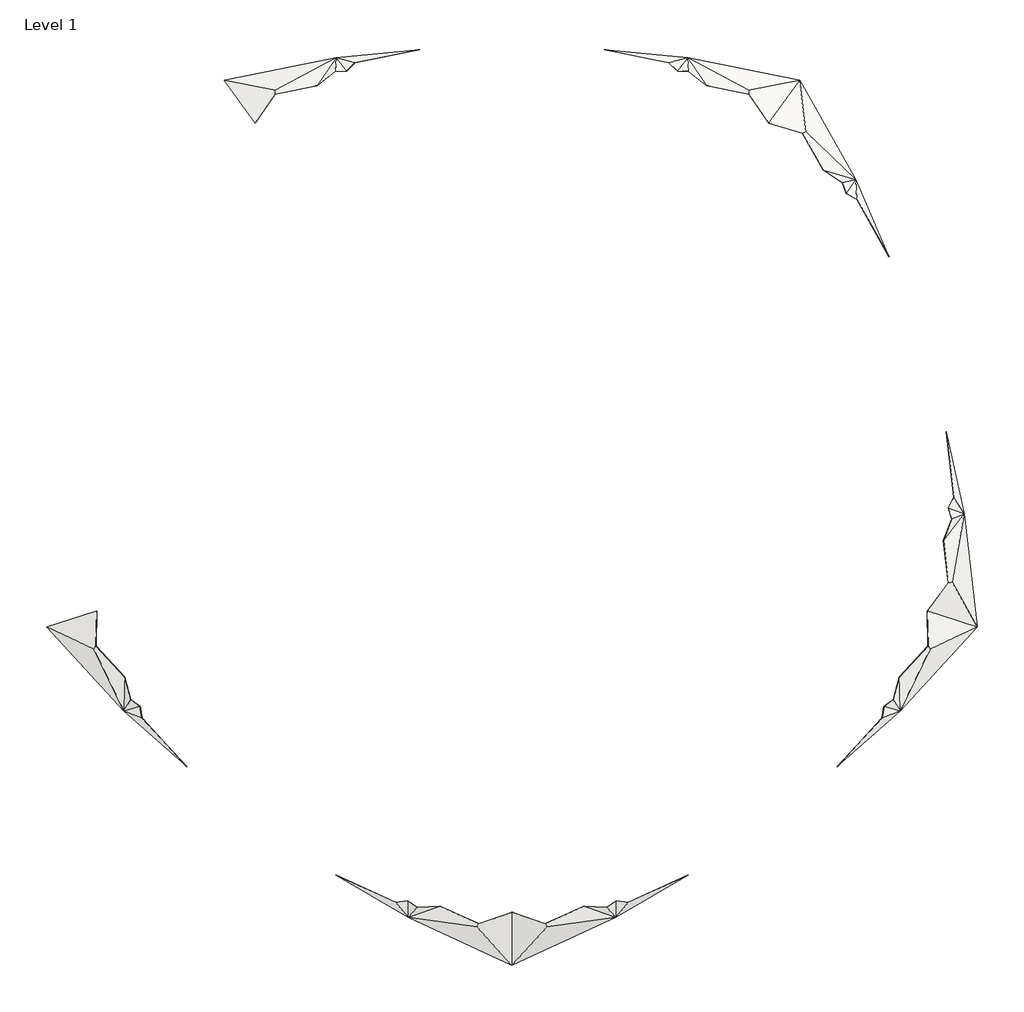
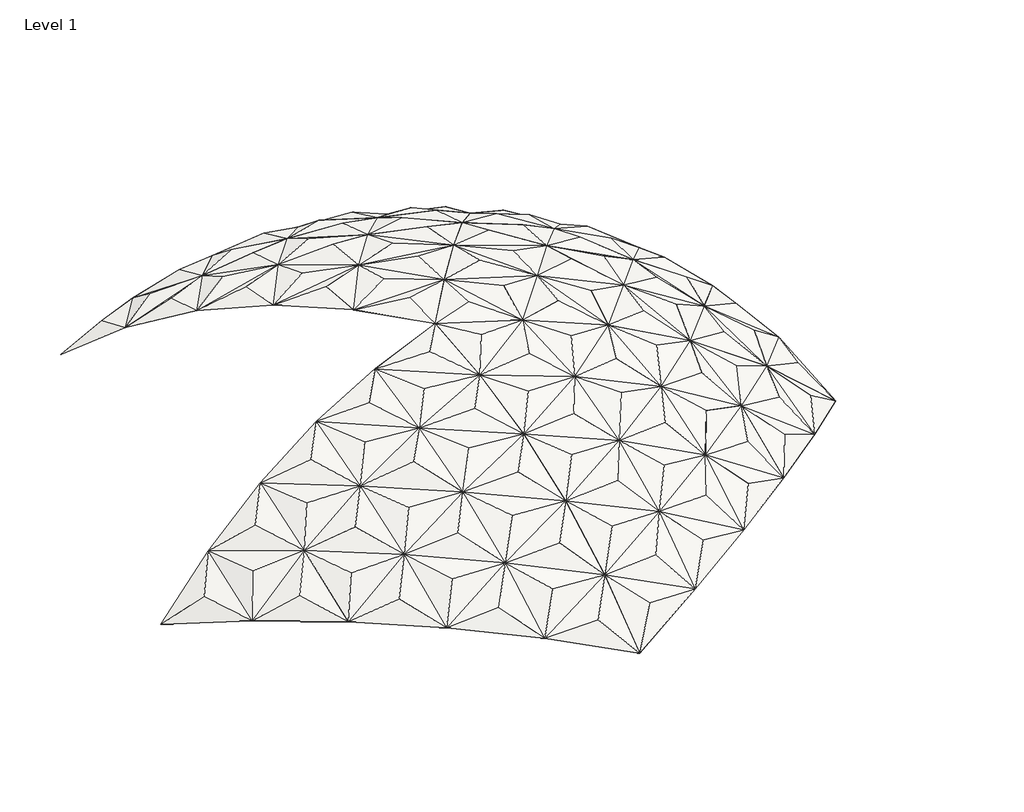
# One storey: 4 slabs.
"""IFC4 building model written with IfcOpenShell, lengths in millimetres."""

from ifc_helpers import new_model, si_unit, origin, place, context, project, spatial, faceted_brep, element, save

model = new_model("IFC4")

# Units and contexts
model_context = context("Model", 3, world=origin())
ifc_project = project(units=[si_unit("LENGTHUNIT", "METRE", prefix="MILLI")], contexts=[model_context])

# Site, building, storey
site = spatial("IfcSite", under=ifc_project)
building = spatial("IfcBuilding", under=site)
storey = spatial("IfcBuildingStorey", under=building, Name="Level 1", Elevation=0.0)

# Slabs
placement = place(None, origin())
element("IfcSlab", 1, ObjectType="Generic - 1/8", at=placement, inside=storey, context=model_context, shape_type="Brep", body=[
    faceted_brep([(1199.8290339, -16489.9650987, 0.0), (1199.8290339, -13935.515041, 1917.192), (1199.8290339, -11114.658304, 3460.75), (1199.8290339, -8088.7551555, 4578.35), (1199.8290339, -4923.6246062, 5270.5), (1199.8290339, -1688.1150116, 5588.0), (1199.8290339, -1688.1150116, 5586.4125), (1199.8290339, -4923.6246062, 5268.9125), (1199.8290339, -8088.7551555, 4576.7625), (1199.8290339, -11114.658304, 3459.1625), (1199.8290339, -13935.515041, 1915.6045), (1199.8290339, -16489.9650987, -1.5875), (2267.2460597, -15334.2349466, 1150.3421875), (4337.5143916, -15047.1091363, 882.65), (4413.7501857, -12324.5047702, 2603.5992188), (3339.6880412, -13915.0354187, 2029.8171875), (3397.6030491, -11063.8157848, 3569.890625), (4456.279097, -9348.5522203, 3925.1929688), (2295.2950414, -12605.3361101, 2897.6835938), (2313.6515953, -9638.0061087, 4240.609375), (5464.4095506, -13694.6716589, 1829.990625), (7392.3752652, -13251.6213265, 1327.15), (5510.29078, -10789.8984652, 3360.9359375), (6551.9283267, -9054.6476208, 3806.5273438), (7470.9904384, -7152.3882099, 3925.1929688), (7483.886836, -10340.8038004, 2834.9278682), (6503.9223328, -12110.6618648, 2487.4140625), (3385.5022749, -7921.0439683, 4623.59375), (4445.8661177, -6155.9020628, 4819.0546875), (2317.726389, -6483.7464833, 5124.053125), (2269.7069858, -3160.6757866, 5612.209375), (3387.0922126, -4698.6245686, 5307.409375), (4271.6459375, -2689.2763583, 5256.1140559), (5525.1283783, -7641.3792362, 4623.59375), (6452.2864824, -5692.8948337, 4623.59375), (7287.1996089, -3666.0216718, 4578.35), (4276.9814654, -2687.9424763, 5270.5), (5415.2962942, -4233.2305356, 5124.053125), (8480.2307711, -11708.7284799, 2058.590625), (7486.8903492, -10338.363778, 2834.5056521), (7483.990036, -10337.5211973, 2836.06875), (8524.133095, -8600.2136628, 3360.9359375), (10283.7744236, -11150.8969371, 1327.15), (9473.2047816, -9953.3516538, 2487.4140625), (10314.6224966, -8033.7191285, 2614.7790831), (10316.155089, -8031.5616102, 2603.5992188), (11308.7643513, -9430.0457185, 1829.990625), (12179.3870336, -7520.6178626, 2041.128125), (12935.3889049, -8800.3876344, 882.65), (8417.8279986, -5202.6783059, 4240.609375), (10165.0044985, -4601.0771917, 3460.75), (9437.5009573, -6675.5733301, 3569.890625), (12847.7984655, -5472.7698199, 1917.2039062), (13848.2102495, -6920.1720469, 1150.3421875), (11244.205749, -6103.5727655, 2897.6835937), (15277.2247961, -6262.13831, 0.0), (2267.2460597, -15334.2349466, 1148.7546875), (4337.5143916, -15047.1091363, 881.0625), (4413.7501857, -12324.5047702, 2602.0117188), (3339.6880412, -13915.0354187, 2028.2296875), (4456.279097, -9348.5522203, 3923.6054688), (3397.6030491, -11063.8157848, 3568.303125), (2295.2950414, -12605.3361101, 2896.0960938), (2313.6515953, -9638.0061087, 4239.021875), (5464.4095506, -13694.6716589, 1828.403125), (7392.3752652, -13251.6213265, 1325.5625), (5510.29078, -10789.8984652, 3359.3484375), (7470.9904384, -7152.3882099, 3923.6054688), (6551.9283267, -9054.6476208, 3804.9398437), (7483.886836, -10340.8038004, 2833.3403682), (6503.9223328, -12110.6618648, 2485.8265625), (3385.5022749, -7921.0439683, 4622.00625), (4445.8661177, -6155.9020628, 4817.4671875), (2317.726389, -6483.7464833, 5122.465625), (2269.7069858, -3160.6757866, 5610.621875), (3387.0922126, -4698.6245686, 5305.821875), (4271.6459375, -2689.2763583, 5254.5265559), (5525.1283783, -7641.3792362, 4622.00625), (6452.2864824, -5692.8948337, 4622.00625), (7287.1996089, -3666.0216718, 4576.7625), (5415.2962942, -4233.2305356, 5122.465625), (4276.9814654, -2687.9424763, 5268.9125), (8480.2307711, -11708.7284799, 2057.003125), (7486.8903492, -10338.363778, 2832.9181521), (7483.990036, -10337.5211973, 2834.48125), (8524.133095, -8600.2136628, 3359.3484375), (10283.7744236, -11150.8969371, 1325.5625), (9473.2047816, -9953.3516538, 2485.8265625), (10314.6224966, -8033.7191285, 2613.1915831), (10316.155089, -8031.5616102, 2602.0117188), (11308.7643513, -9430.0457185, 1828.403125), (12179.3870336, -7520.6178626, 2039.540625), (12935.3889049, -8800.3876344, 881.0625), (8417.8279986, -5202.6783059, 4239.021875), (10165.0044985, -4601.0771917, 3459.1625), (9437.5009573, -6675.5733301, 3568.303125), (12847.7984655, -5472.7698199, 1915.6164062), (13848.2102495, -6920.1720469, 1148.7546875), (11244.205749, -6103.5727655, 2896.0960937), (15277.2247961, -6262.13831, -1.5875)], [[[0, 1, 2, 3, 4, 5, 6, 7, 8, 9, 10, 11]], [[1, 0, 12]], [[12, 0, 13]], [[14, 1, 15]], [[16, 17, 2]], [[18, 2, 1]], [[2, 18, 14]], [[19, 3, 2]], [[1, 12, 13]], [[14, 13, 20]], [[15, 1, 13]], [[20, 13, 21]], [[14, 15, 13]], [[22, 17, 14]], [[16, 2, 14]], [[23, 24, 17]], [[17, 16, 14]], [[25, 14, 26]], [[2, 17, 19]], [[17, 22, 25]], [[1, 14, 18]], [[27, 3, 17]], [[3, 27, 28]], [[3, 19, 17]], [[29, 28, 4]], [[29, 4, 3]], [[30, 5, 4]], [[4, 31, 32]], [[5, 30, 32]], [[3, 28, 29]], [[24, 28, 33]], [[27, 17, 28]], [[28, 24, 34]], [[28, 34, 35]], [[30, 4, 32]], [[32, 31, 28]], [[36, 37, 35]], [[37, 36, 32]], [[32, 28, 37]], [[5, 32, 36]], [[28, 35, 37]], [[4, 28, 31]], [[33, 28, 17]], [[14, 20, 21]], [[25, 26, 21]], [[26, 14, 21]], [[25, 38, 39]], [[25, 40, 23]], [[41, 24, 40]], [[23, 17, 25]], [[25, 39, 40]], [[41, 40, 39]], [[25, 21, 38]], [[22, 14, 25]], [[38, 21, 42]], [[39, 42, 43]], [[43, 42, 44]], [[45, 42, 46]], [[47, 45, 48]], [[46, 42, 48]], [[39, 43, 44]], [[39, 38, 42]], [[45, 41, 44]], [[24, 23, 40]], [[41, 39, 44]], [[24, 41, 45]], [[35, 49, 50]], [[34, 24, 35]], [[50, 49, 24]], [[45, 50, 51]], [[50, 24, 51]], [[24, 45, 51]], [[49, 35, 24]], [[45, 47, 52]], [[44, 42, 45]], [[53, 52, 48]], [[47, 48, 52]], [[45, 52, 54]], [[52, 53, 55]], [[54, 52, 50]], [[53, 48, 55]], [[50, 45, 54]], [[45, 46, 48]], [[17, 24, 33]], [[11, 10, 56]], [[11, 56, 57]], [[10, 58, 59]], [[60, 61, 9]], [[9, 62, 10]], [[62, 9, 58]], [[8, 63, 9]], [[56, 10, 57]], [[57, 58, 64]], [[10, 59, 57]], [[57, 64, 65]], [[59, 58, 57]], [[60, 66, 58]], [[9, 61, 58]], [[67, 68, 60]], [[61, 60, 58]], [[58, 69, 70]], [[60, 9, 63]], [[66, 60, 69]], [[58, 10, 62]], [[8, 71, 60]], [[71, 8, 72]], [[63, 8, 60]], [[72, 73, 7]], [[7, 73, 8]], [[6, 74, 7]], [[75, 7, 76]], [[74, 6, 76]], [[72, 8, 73]], [[72, 67, 77]], [[60, 71, 72]], [[67, 72, 78]], [[78, 72, 79]], [[7, 74, 76]], [[75, 76, 72]], [[80, 81, 79]], [[81, 80, 76]], [[72, 76, 80]], [[76, 6, 81]], [[79, 72, 80]], [[72, 7, 75]], [[72, 77, 60]], [[64, 58, 65]], [[70, 69, 65]], [[58, 70, 65]], [[82, 69, 83]], [[84, 69, 68]], [[67, 85, 84]], [[60, 68, 69]], [[83, 69, 84]], [[84, 85, 83]], [[65, 69, 82]], [[58, 66, 69]], [[65, 82, 86]], [[86, 83, 87]], [[86, 87, 88]], [[86, 89, 90]], [[89, 91, 92]], [[86, 90, 92]], [[87, 83, 88]], [[82, 83, 86]], [[85, 89, 88]], [[68, 67, 84]], [[83, 85, 88]], [[85, 67, 89]], [[93, 79, 94]], [[67, 78, 79]], [[93, 94, 67]], [[94, 89, 95]], [[67, 94, 95]], [[89, 67, 95]], [[79, 93, 67]], [[91, 89, 96]], [[86, 88, 89]], [[96, 97, 92]], [[92, 91, 96]], [[96, 89, 98]], [[97, 96, 99]], [[96, 98, 94]], [[92, 97, 99]], [[89, 94, 98]], [[90, 89, 92]], [[67, 60, 77]], [[6, 5, 36, 35, 50, 52, 55, 99, 96, 94, 79, 81]], [[42, 86, 92, 48]], [[21, 65, 86, 42]], [[13, 57, 65, 21]], [[57, 13, 0, 11]], [[48, 92, 99, 55]]]),
])
element("IfcSlab", 2, ObjectType="Generic - 1/8", at=placement, inside=storey, context=model_context, shape_type="Brep", body=[
    faceted_brep([(1199.8290339, -1688.1150116, 5588.0), (3101.6139055, 929.4672008, 5270.5), (4962.0310113, 3490.1115703, 4578.35), (6740.612302, 5938.1186079, 3460.75), (8398.670333, 8220.2396163, 1917.192), (9900.1384427, 10286.8330965, 0.0), (9900.1384427, 10286.8330965, -1.5875), (8398.670333, 8220.2396163, 1915.6045), (6740.612302, 5938.1186079, 3459.1625), (4962.0310113, 3490.1115703, 4576.7625), (3101.6139055, 929.4672008, 5268.9125), (1199.8290339, -1688.1150116, 5586.4125), (4276.9814654, -2687.9424763, 5270.5), (4273.4489689, -2683.7271985, 5256.1140559), (6106.1950494, -2106.8628777, 5124.053125), (6452.0275697, 18.4278169, 4819.0546875), (2930.9279959, -1125.6468332, 5612.209375), (4738.8952573, -538.2027229, 5307.409375), (7287.1996089, -3666.0216718, 4578.35), (7803.1068929, -1535.4972252, 4623.59375), (10165.0044985, -4601.0771917, 3460.75), (9105.1213085, -3087.4070671, 4240.609375), (9485.1243986, -953.5214735, 3925.1929688), (9859.7075975, 1125.6498659, 3806.5273438), (8337.0445727, 2595.215421, 3925.1929688), (8198.3106655, 585.8296226, 4623.59375), (4923.0285061, 1534.5487001, 5124.053125), (11188.1451646, -401.2278307, 3360.9359375), (11367.8155379, 1615.6642362, 2836.06875), (6631.6996187, 2069.7238415, 4623.59375), (6773.7592656, 4088.7934112, 4240.609375), (8488.7643225, 4605.1669596, 3569.890625), (10036.9600128, 3141.7564735, 3360.9359375), (10051.8590259, 5027.8094435, 2603.5992188), (11369.6615132, 1618.3805773, 2834.9278682), (8503.0613595, 6500.2034901, 2897.6835938), (10117.8149919, 6945.8936556, 2029.8171875), (10084.3757888, 8724.4157734, 1150.3421875), (12847.7984655, -5472.7698199, 1917.2039063), (11921.2414011, -4019.8713503, 2897.6835938), (12303.6760939, -1914.6011256, 2603.5992187), (12303.7043581, -1911.9548214, 2614.7790831), (10795.8000452, -2495.1587201, 3569.890625), (14110.9789344, 628.0270093, 1327.15), (13928.7222004, -1366.6448313, 1829.990625), (15277.2247961, -6262.13831, 0.0), (14507.910294, -4889.824144, 1150.3421875), (14874.5853449, -2832.154863, 882.65), (13510.7371741, -3423.1435815, 2041.128125), (11370.6571971, 1614.6411369, 2834.5056521), (11590.4897086, 7275.2528917, 882.65), (11617.1500821, 3626.2345072, 2487.4140625), (13006.5627556, 4027.0705449, 1327.15), (12979.7666514, 2139.4185891, 2058.590625), (12751.3148533, 135.6334302, 2487.4140625), (11707.2242068, 5518.7356311, 1829.990625), (4273.4489689, -2683.7271985, 5254.5265559), (4276.9814654, -2687.9424763, 5268.9125), (6452.0275697, 18.4278169, 4817.4671875), (6106.1950494, -2106.8628777, 5122.465625), (2930.9279959, -1125.6468332, 5610.621875), (4738.8952573, -538.2027229, 5305.821875), (7803.1068929, -1535.4972252, 4622.00625), (7287.1996089, -3666.0216718, 4576.7625), (9105.1213085, -3087.4070671, 4239.021875), (10165.0044985, -4601.0771917, 3459.1625), (9485.1243986, -953.5214735, 3923.6054688), (9859.7075975, 1125.6498659, 3804.9398437), (8337.0445727, 2595.215421, 3923.6054688), (8198.3106655, 585.8296226, 4622.00625), (4923.0285061, 1534.5487001, 5122.465625), (11188.1451646, -401.2278307, 3359.3484375), (11367.8155379, 1615.6642362, 2834.48125), (6631.6996187, 2069.7238415, 4622.00625), (6773.7592656, 4088.7934112, 4239.021875), (8488.7643225, 4605.1669596, 3568.303125), (10036.9600128, 3141.7564735, 3359.3484375), (10051.8590259, 5027.8094435, 2602.0117188), (11369.6615132, 1618.3805773, 2833.3403682), (8503.0613595, 6500.2034901, 2896.0960938), (10117.8149919, 6945.8936556, 2028.2296875), (10084.3757888, 8724.4157734, 1148.7546875), (11921.2414011, -4019.8713503, 2896.0960937), (12847.7984655, -5472.7698199, 1915.6164062), (12303.6760939, -1914.6011256, 2602.0117187), (12303.7043581, -1911.9548214, 2613.1915831), (10795.8000452, -2495.1587201, 3568.303125), (14110.9789344, 628.0270093, 1325.5625), (13928.7222004, -1366.6448313, 1828.403125), (14507.910294, -4889.824144, 1148.7546875), (15277.2247961, -6262.13831, -1.5875), (14874.5853449, -2832.154863, 881.0625), (13510.7371741, -3423.1435815, 2039.540625), (11370.6571971, 1614.6411369, 2832.9181521), (11590.4897086, 7275.2528917, 881.0625), (11617.1500821, 3626.2345072, 2485.8265625), (13006.5627556, 4027.0705449, 1325.5625), (12979.7666514, 2139.4185891, 2057.003125), (12751.3148533, 135.6334302, 2485.8265625), (11707.2242068, 5518.7356311, 1828.403125)], [[[0, 1, 2, 3, 4, 5, 6, 7, 8, 9, 10, 11]], [[12, 13, 0]], [[14, 15, 13]], [[0, 13, 16]], [[16, 13, 1]], [[1, 13, 17]], [[1, 17, 15]], [[0, 16, 1]], [[13, 12, 14]], [[18, 19, 15]], [[14, 12, 18]], [[20, 21, 18]], [[18, 21, 22]], [[15, 19, 22]], [[15, 14, 18]], [[22, 23, 24]], [[15, 22, 25]], [[19, 18, 22]], [[1, 15, 26]], [[22, 27, 28]], [[13, 15, 17]], [[15, 25, 24]], [[15, 24, 29]], [[15, 29, 2]], [[2, 24, 30]], [[26, 15, 2]], [[2, 30, 3]], [[29, 24, 2]], [[30, 24, 3]], [[3, 24, 31]], [[1, 26, 2]], [[24, 32, 33]], [[28, 34, 23]], [[24, 23, 34]], [[31, 24, 33]], [[4, 35, 33]], [[35, 4, 3]], [[4, 33, 36]], [[5, 4, 37]], [[33, 35, 3]], [[33, 32, 34]], [[3, 31, 33]], [[22, 24, 25]], [[21, 20, 22]], [[38, 39, 20]], [[39, 38, 40]], [[20, 39, 40]], [[27, 40, 41]], [[20, 40, 42]], [[43, 40, 44]], [[27, 22, 40]], [[42, 40, 22]], [[45, 46, 38]], [[38, 46, 47]], [[40, 48, 47]], [[44, 40, 47]], [[38, 47, 48]], [[46, 45, 47]], [[43, 44, 47]], [[40, 38, 48]], [[41, 40, 43]], [[28, 27, 49]], [[27, 41, 49]], [[34, 28, 49]], [[32, 24, 34]], [[37, 4, 50]], [[4, 36, 50]], [[36, 33, 50]], [[33, 34, 51]], [[33, 51, 52]], [[34, 49, 53]], [[23, 22, 28]], [[41, 43, 54]], [[49, 41, 54]], [[53, 49, 43]], [[50, 33, 55]], [[33, 52, 55]], [[51, 34, 52]], [[53, 43, 52]], [[34, 53, 52]], [[50, 55, 52]], [[54, 43, 49]], [[5, 37, 50]], [[22, 20, 42]], [[56, 57, 11]], [[58, 59, 56]], [[56, 11, 60]], [[56, 60, 10]], [[56, 10, 61]], [[61, 10, 58]], [[60, 11, 10]], [[57, 56, 59]], [[62, 63, 58]], [[57, 59, 63]], [[64, 65, 63]], [[64, 63, 66]], [[62, 58, 66]], [[59, 58, 63]], [[67, 66, 68]], [[66, 58, 69]], [[63, 62, 66]], [[58, 10, 70]], [[71, 66, 72]], [[58, 56, 61]], [[69, 58, 68]], [[68, 58, 73]], [[73, 58, 9]], [[68, 9, 74]], [[58, 70, 9]], [[74, 9, 8]], [[68, 73, 9]], [[68, 74, 8]], [[68, 8, 75]], [[70, 10, 9]], [[76, 68, 77]], [[78, 72, 67]], [[67, 68, 78]], [[68, 75, 77]], [[79, 7, 77]], [[7, 79, 8]], [[77, 7, 80]], [[7, 6, 81]], [[79, 77, 8]], [[76, 77, 78]], [[75, 8, 77]], [[68, 66, 69]], [[65, 64, 66]], [[82, 83, 65]], [[83, 82, 84]], [[82, 65, 84]], [[84, 71, 85]], [[84, 65, 86]], [[84, 87, 88]], [[66, 71, 84]], [[84, 86, 66]], [[89, 90, 83]], [[89, 83, 91]], [[92, 84, 91]], [[84, 88, 91]], [[91, 83, 92]], [[90, 89, 91]], [[88, 87, 91]], [[83, 84, 92]], [[84, 85, 87]], [[71, 72, 93]], [[85, 71, 93]], [[72, 78, 93]], [[68, 76, 78]], [[7, 81, 94]], [[80, 7, 94]], [[77, 80, 94]], [[78, 77, 95]], [[95, 77, 96]], [[93, 78, 97]], [[66, 67, 72]], [[87, 85, 98]], [[85, 93, 98]], [[93, 97, 87]], [[77, 94, 99]], [[96, 77, 99]], [[78, 95, 96]], [[87, 97, 96]], [[97, 78, 96]], [[99, 94, 96]], [[87, 98, 93]], [[81, 6, 94]], [[65, 66, 86]], [[0, 11, 57, 63, 65, 83, 90, 45, 38, 20, 18, 12]], [[91, 47, 45, 90]], [[50, 94, 6, 5]], [[94, 50, 52, 96]], [[43, 87, 96, 52]], [[87, 43, 47, 91]]]),
])
element("IfcSlab", 3, ObjectType="Generic - 1/8", at=placement, inside=storey, context=model_context, shape_type="Brep", body=[
    faceted_brep([(4962.0310113, 3490.1115703, 4578.35), (3101.6139055, 929.4672008, 5270.5), (1199.8290339, -1688.1150116, 5588.0), (1199.8290339, -1688.1150116, 5586.4125), (3101.6139055, 929.4672008, 5268.9125), (4962.0310113, 3490.1115703, 4576.7625), (6740.612302, 5938.1186079, 3459.1625), (8398.670333, 8220.2396163, 1915.6045), (9900.1384427, 10286.8330965, -1.5875), (9900.1384427, 10286.8330965, 0.0), (8398.670333, 8220.2396163, 1917.192), (6740.612302, 5938.1186079, 3460.75), (-2562.3727515, 3490.1118084, 4578.35), (-2573.8461905, 5397.8598334, 4240.609375), (-4340.9539239, 5938.1189206, 3460.75), (-2533.0329364, 7188.8056655, 3569.890625), (-661.8277668, 6418.6710904, 3925.1929688), (-2446.849118, 8802.2831671, 2603.5992188), (-4330.9013019, 7788.0019529, 2897.6835938), (-5999.0117221, 8220.23983, 1917.2039062), (-695.5476693, 4639.1369847, 4623.59375), (-696.8551218, 927.4102407, 5256.1140559), (-701.9556906, 929.4672522, 5270.5), (1199.8291393, 2033.0794211, 5307.409375), (1199.8293097, 3834.3733664, 4819.0546875), (-714.5741649, 2848.7162224, 5124.053125), (-662.8275913, 8209.0082088, 3360.9359375), (1199.8295821, 9003.1387439, 2836.06875), (1197.978436, 9005.5251674, 2834.5056521), (-2444.3410673, 8803.1278008, 2614.7790831), (1199.8291466, 7417.420092, 3806.5273438), (-4113.9491488, 10963.8235265, 882.65), (-4254.5606126, 9484.1012842, 2041.128125), (-5957.6001411, 9979.2401215, 1150.3421875), (-7500.4797148, 10286.8333497, 0.0), (-587.1532611, 11306.8455459, 1327.15), (-2427.878514, 10517.1216625, 1829.990625), (-635.2881287, 9861.5701796, 2487.4140625), (1199.8293468, 10698.0443502, 2058.590625), (1199.8291291, 132.0701625, 5612.209375), (3067.9977586, 6423.4021621, 3925.1929687), (3095.2060739, 4639.1369015, 4623.59375), (1199.8294085, 5670.5240845, 4623.59375), (1201.8425384, 9005.7337662, 2834.9278682), (3062.4864939, 8209.008292, 3360.9359375), (3114.2326138, 2848.7158913, 5124.053125), (4971.5565279, 5398.170395, 4240.609375), (4932.691314, 7188.8053332, 3569.890625), (4851.6254349, 8806.0004496, 2603.5992188), (6730.5601497, 7788.00105, 2897.6835938), (2986.8126108, 11306.8454276, 1327.15), (3034.9469601, 9861.5703013, 2487.4140625), (4806.9880756, 10532.0508283, 1829.990625), (6513.6082219, 10963.8233445, 882.65), (6655.4504334, 9461.4488524, 2029.8171875), (8357.258784, 9979.2397769, 1150.3421875), (-2573.8461905, 5397.8598334, 4239.021875), (-2562.3727515, 3490.1118084, 4576.7625), (-4340.9539239, 5938.1189206, 3459.1625), (-2533.0329364, 7188.8056655, 3568.303125), (-661.8277668, 6418.6710904, 3923.6054688), (-2446.849118, 8802.2831671, 2602.0117188), (-4330.9013019, 7788.0019529, 2896.0960938), (-5999.0117221, 8220.23983, 1915.6164062), (-695.5476693, 4639.1369847, 4622.00625), (-696.8551218, 927.4102407, 5254.5265559), (-701.9556906, 929.4672522, 5268.9125), (1199.8291393, 2033.0794211, 5305.821875), (1199.8293097, 3834.3733664, 4817.4671875), (-714.5741649, 2848.7162224, 5122.465625), (1199.8295821, 9003.1387439, 2834.48125), (-662.8275913, 8209.0082088, 3359.3484375), (1197.978436, 9005.5251674, 2832.9181521), (-2444.3410673, 8803.1278008, 2613.1915831), (1199.8291466, 7417.420092, 3804.9398438), (-4113.9491488, 10963.8235265, 881.0625), (-4254.5606126, 9484.1012842, 2039.540625), (-5957.6001411, 9979.2401215, 1148.7546875), (-7500.4797148, 10286.8333497, -1.5875), (-587.1532611, 11306.8455459, 1325.5625), (-2427.878514, 10517.1216625, 1828.403125), (-635.2881287, 9861.5701796, 2485.8265625), (1199.8293468, 10698.0443502, 2057.003125), (1199.8291291, 132.0701625, 5610.621875), (3067.9977586, 6423.4021621, 3923.6054687), (3095.2060739, 4639.1369015, 4622.00625), (1199.8294085, 5670.5240845, 4622.00625), (1201.8425384, 9005.7337662, 2833.3403682), (3062.4864939, 8209.008292, 3359.3484375), (3114.2326138, 2848.7158913, 5122.465625), (4971.5565279, 5398.170395, 4239.021875), (4932.691314, 7188.8053332, 3568.303125), (4851.6254349, 8806.0004496, 2602.0117188), (6730.5601497, 7788.00105, 2896.0960937), (2986.8126108, 11306.8454276, 1325.5625), (3034.9469601, 9861.5703013, 2485.8265625), (4806.9880756, 10532.0508283, 1828.403125), (6513.6082219, 10963.8233445, 881.0625), (6655.4504334, 9461.4488524, 2028.2296875), (8357.258784, 9979.2397769, 1148.7546875)], [[[0, 1, 2, 3, 4, 5, 6, 7, 8, 9, 10, 11]], [[12, 13, 14]], [[15, 14, 16]], [[14, 13, 16]], [[14, 15, 17]], [[14, 17, 18]], [[14, 18, 19]], [[16, 12, 20]], [[2, 21, 22]], [[21, 23, 24]], [[22, 21, 25]], [[13, 12, 16]], [[20, 12, 24]], [[26, 27, 28]], [[17, 26, 29]], [[27, 16, 30]], [[24, 12, 25]], [[16, 20, 24]], [[22, 25, 12]], [[26, 17, 16]], [[31, 19, 32]], [[18, 17, 19]], [[19, 31, 33]], [[19, 33, 34]], [[33, 31, 34]], [[31, 32, 17]], [[15, 16, 17]], [[32, 19, 17]], [[26, 28, 29]], [[17, 29, 35]], [[36, 35, 31]], [[17, 35, 36]], [[28, 35, 37]], [[35, 29, 37]], [[35, 28, 38]], [[31, 17, 36]], [[29, 28, 37]], [[21, 2, 39]], [[40, 24, 41]], [[24, 23, 1]], [[16, 24, 42]], [[21, 24, 25]], [[30, 16, 40]], [[16, 42, 40]], [[24, 40, 42]], [[43, 40, 44]], [[23, 21, 1]], [[21, 39, 1]], [[45, 1, 0]], [[41, 24, 0]], [[45, 0, 24]], [[40, 41, 0]], [[11, 40, 46]], [[40, 11, 47]], [[40, 0, 46]], [[11, 46, 0]], [[48, 11, 49]], [[24, 1, 45]], [[39, 2, 1]], [[40, 47, 48]], [[27, 30, 43]], [[30, 40, 43]], [[43, 44, 48]], [[38, 28, 43]], [[35, 38, 50]], [[38, 43, 50]], [[51, 48, 50]], [[50, 48, 52]], [[50, 43, 51]], [[50, 52, 53]], [[43, 48, 51]], [[28, 27, 43]], [[48, 49, 10]], [[44, 40, 48]], [[49, 11, 10]], [[48, 10, 54]], [[54, 10, 53]], [[52, 48, 53]], [[55, 9, 53]], [[53, 10, 55]], [[9, 55, 10]], [[48, 54, 53]], [[47, 11, 48]], [[27, 26, 16]], [[56, 57, 58]], [[58, 59, 60]], [[56, 58, 60]], [[59, 58, 61]], [[61, 58, 62]], [[62, 58, 63]], [[57, 60, 64]], [[65, 3, 66]], [[67, 65, 68]], [[65, 66, 69]], [[57, 56, 60]], [[57, 64, 68]], [[70, 71, 72]], [[71, 61, 73]], [[60, 70, 74]], [[57, 68, 69]], [[64, 60, 68]], [[69, 66, 57]], [[61, 71, 60]], [[63, 75, 76]], [[61, 62, 63]], [[75, 63, 77]], [[77, 63, 78]], [[75, 77, 78]], [[76, 75, 61]], [[60, 59, 61]], [[63, 76, 61]], [[72, 71, 73]], [[73, 61, 79]], [[79, 80, 75]], [[79, 61, 80]], [[79, 72, 81]], [[73, 79, 81]], [[72, 79, 82]], [[61, 75, 80]], [[72, 73, 81]], [[3, 65, 83]], [[68, 84, 85]], [[67, 68, 4]], [[68, 60, 86]], [[68, 65, 69]], [[60, 74, 84]], [[86, 60, 84]], [[84, 68, 86]], [[84, 87, 88]], [[65, 67, 4]], [[83, 65, 4]], [[4, 89, 5]], [[68, 85, 5]], [[5, 89, 68]], [[85, 84, 5]], [[84, 6, 90]], [[6, 84, 91]], [[5, 84, 90]], [[90, 6, 5]], [[6, 92, 93]], [[4, 68, 89]], [[3, 83, 4]], [[91, 84, 92]], [[74, 70, 87]], [[84, 74, 87]], [[88, 87, 92]], [[72, 82, 87]], [[82, 79, 94]], [[87, 82, 94]], [[92, 95, 94]], [[92, 94, 96]], [[87, 94, 95]], [[96, 94, 97]], [[92, 87, 95]], [[70, 72, 87]], [[93, 92, 7]], [[84, 88, 92]], [[6, 93, 7]], [[7, 92, 98]], [[7, 98, 97]], [[92, 96, 97]], [[8, 99, 97]], [[7, 97, 99]], [[99, 8, 7]], [[98, 92, 97]], [[6, 91, 92]], [[71, 70, 60]], [[3, 2, 22, 12, 14, 19, 34, 78, 63, 58, 57, 66]], [[75, 31, 35, 79]], [[79, 35, 50, 94]], [[94, 50, 53, 97]], [[97, 53, 9, 8]], [[31, 75, 78, 34]]]),
])
element("IfcSlab", 4, ObjectType="Generic - 1/8", at=placement, inside=storey, context=model_context, shape_type="Brep", body=[
    faceted_brep([(1199.8290339, -13935.515041, 1917.192), (1199.8290339, -16489.9650987, 0.0), (1199.8290339, -16489.9650987, -1.5875), (1199.8290339, -13935.515041, 1915.6045), (1199.8290339, -11114.658304, 3459.1625), (1199.8290339, -8088.7551555, 4576.7625), (1199.8290339, -4923.6246062, 5268.9125), (1199.8290339, -1688.1150116, 5586.4125), (1199.8290339, -1688.1150116, 5588.0), (1199.8290339, -4923.6246062, 5270.5), (1199.8290339, -8088.7551555, 4578.35), (1199.8290339, -11114.658304, 3460.75), (-6080.5727033, -11708.7284799, 2058.590625), (-5087.2322814, -10338.363778, 2834.5056521), (-7884.1163558, -11150.8969371, 1327.15), (-7073.5467138, -9953.3516538, 2487.4140625), (-7914.9644288, -8033.7191285, 2614.7790831), (-7916.4970212, -8031.5616102, 2603.5992188), (-10535.7308371, -8800.3876344, 882.65), (-8909.1062836, -9430.0457185, 1829.990625), (-10448.1403977, -5472.7698199, 1917.2039063), (-9779.7289658, -7520.6178626, 2041.128125), (-4992.7171974, -13251.6213265, 1327.15), (-5084.2287683, -10340.8038004, 2834.9278682), (-2056.6210292, -9348.5522203, 3925.1929688), (-3110.6327122, -10789.8984652, 3360.9359375), (-5084.3319682, -10337.5211973, 2836.06875), (-6124.4750272, -8600.2136628, 3360.9359375), (-5071.3323707, -7152.3882099, 3925.1929688), (-4152.270259, -9054.6476208, 3806.5273438), (-4104.264265, -12110.6618648, 2487.4140625), (-12877.5667283, -6262.13831, 0.0), (-11448.5521817, -6920.1720469, 1150.3421875), (-8844.5476813, -6103.5727655, 2897.6835938), (-7765.3464307, -4601.0771917, 3460.75), (-7037.8428895, -6675.5733301, 3569.890625), (-6018.1699308, -5202.6783059, 4240.609375), (-4887.5415411, -3666.0216718, 4578.35), (-4052.6284146, -5692.8948337, 4623.59375), (-1937.8563238, -15047.1091363, 882.65), (-2014.0921179, -12324.5047702, 2603.5992187), (-3064.7514828, -13694.6716589, 1829.990625), (104.3630264, -12605.3361101, 2897.6835937), (-997.9449813, -11063.8157848, 3569.890625), (-940.0299734, -13915.0354187, 2029.8171875), (132.4120081, -15334.2349466, 1150.3421875), (86.0064724, -9638.0061087, 4240.609375), (-2046.20805, -6155.9020628, 4819.0546875), (-3125.4703105, -7641.3792362, 4623.59375), (-987.4341448, -4698.6245686, 5307.409375), (-1871.9878698, -2689.2763583, 5256.1140559), (-3015.6382265, -4233.2305356, 5124.053125), (-1877.3233976, -2687.9424763, 5270.5), (-985.8442071, -7921.0439683, 4623.59375), (81.9316788, -6483.7464833, 5124.053125), (129.951082, -3160.6757866, 5612.209375), (-5087.2322814, -10338.363778, 2832.9181521), (-6080.5727033, -11708.7284799, 2057.003125), (-7884.1163558, -11150.8969371, 1325.5625), (-7073.5467138, -9953.3516538, 2485.8265625), (-7914.9644288, -8033.7191285, 2613.1915831), (-10535.7308371, -8800.3876344, 881.0625), (-7916.4970212, -8031.5616102, 2602.0117188), (-8909.1062836, -9430.0457185, 1828.403125), (-10448.1403977, -5472.7698199, 1915.6164063), (-9779.7289658, -7520.6178626, 2039.540625), (-5084.2287683, -10340.8038004, 2833.3403682), (-4992.7171974, -13251.6213265, 1325.5625), (-2056.6210292, -9348.5522203, 3923.6054688), (-3110.6327122, -10789.8984652, 3359.3484375), (-6124.4750272, -8600.2136628, 3359.3484375), (-5084.3319682, -10337.5211973, 2834.48125), (-5071.3323707, -7152.3882099, 3923.6054688), (-4152.270259, -9054.6476208, 3804.9398438), (-4104.264265, -12110.6618648, 2485.8265625), (-11448.5521817, -6920.1720469, 1148.7546875), (-12877.5667283, -6262.13831, -1.5875), (-8844.5476813, -6103.5727655, 2896.0960937), (-7765.3464307, -4601.0771917, 3459.1625), (-7037.8428895, -6675.5733301, 3568.303125), (-6018.1699308, -5202.6783059, 4239.021875), (-4887.5415411, -3666.0216718, 4576.7625), (-4052.6284146, -5692.8948337, 4622.00625), (-2014.0921179, -12324.5047702, 2602.0117188), (-1937.8563238, -15047.1091363, 881.0625), (-3064.7514828, -13694.6716589, 1828.403125), (104.3630264, -12605.3361101, 2896.0960937), (-997.9449813, -11063.8157848, 3568.303125), (-940.0299734, -13915.0354187, 2028.2296875), (132.4120081, -15334.2349466, 1148.7546875), (86.0064724, -9638.0061087, 4239.021875), (-3125.4703105, -7641.3792362, 4622.00625), (-2046.20805, -6155.9020628, 4817.4671875), (-1871.9878698, -2689.2763583, 5254.5265559), (-987.4341448, -4698.6245686, 5305.821875), (-3015.6382265, -4233.2305356, 5122.465625), (-1877.3233976, -2687.9424763, 5268.9125), (-985.8442071, -7921.0439683, 4622.00625), (81.9316788, -6483.7464833, 5122.465625), (129.951082, -3160.6757866, 5610.621875)], [[[0, 1, 2, 3, 4, 5, 6, 7, 8, 9, 10, 11]], [[12, 13, 14]], [[14, 15, 16]], [[17, 18, 19]], [[19, 18, 14]], [[20, 18, 21]], [[14, 16, 17]], [[22, 23, 12]], [[12, 14, 22]], [[24, 23, 25]], [[13, 12, 23]], [[26, 27, 13]], [[13, 27, 16]], [[28, 26, 29]], [[23, 24, 29]], [[13, 23, 26]], [[27, 26, 28]], [[23, 22, 30]], [[14, 13, 15]], [[16, 15, 13]], [[31, 32, 20]], [[32, 31, 18]], [[18, 20, 32]], [[20, 21, 17]], [[20, 33, 34]], [[20, 17, 33]], [[17, 16, 27]], [[18, 17, 21]], [[28, 35, 17]], [[27, 28, 17]], [[35, 28, 34]], [[34, 33, 17]], [[34, 36, 37]], [[34, 28, 36]], [[37, 36, 28]], [[37, 28, 38]], [[17, 35, 34]], [[17, 19, 14]], [[28, 29, 24]], [[39, 40, 41]], [[39, 41, 22]], [[11, 40, 42]], [[30, 22, 40]], [[25, 23, 40]], [[24, 40, 43]], [[24, 25, 40]], [[29, 26, 23]], [[40, 39, 44]], [[41, 40, 22]], [[1, 0, 45]], [[1, 45, 39]], [[44, 39, 0]], [[40, 44, 0]], [[40, 11, 43]], [[24, 11, 46]], [[11, 42, 0]], [[42, 40, 0]], [[46, 11, 10]], [[45, 0, 39]], [[24, 43, 11]], [[47, 48, 24]], [[28, 24, 48]], [[49, 50, 47]], [[38, 28, 47]], [[37, 38, 47]], [[37, 47, 51]], [[52, 50, 8]], [[50, 52, 51]], [[47, 50, 51]], [[37, 51, 52]], [[47, 24, 53]], [[48, 47, 28]], [[47, 10, 54]], [[24, 46, 10]], [[54, 10, 9]], [[47, 54, 9]], [[8, 50, 55]], [[55, 50, 9]], [[8, 55, 9]], [[49, 47, 9]], [[50, 49, 9]], [[47, 53, 10]], [[53, 24, 10]], [[23, 30, 40]], [[56, 57, 58]], [[59, 58, 60]], [[61, 62, 63]], [[61, 63, 58]], [[61, 64, 65]], [[60, 58, 62]], [[66, 67, 57]], [[58, 57, 67]], [[66, 68, 69]], [[57, 56, 66]], [[70, 71, 56]], [[70, 56, 60]], [[71, 72, 73]], [[68, 66, 73]], [[66, 56, 71]], [[71, 70, 72]], [[67, 66, 74]], [[56, 58, 59]], [[59, 60, 56]], [[75, 76, 64]], [[76, 75, 61]], [[64, 61, 75]], [[65, 64, 62]], [[77, 64, 78]], [[62, 64, 77]], [[60, 62, 70]], [[62, 61, 65]], [[79, 72, 62]], [[72, 70, 62]], [[72, 79, 78]], [[77, 78, 62]], [[80, 78, 81]], [[72, 78, 80]], [[80, 81, 72]], [[72, 81, 82]], [[79, 62, 78]], [[63, 62, 58]], [[73, 72, 68]], [[83, 84, 85]], [[85, 84, 67]], [[83, 4, 86]], [[67, 74, 83]], [[66, 69, 83]], [[83, 68, 87]], [[69, 68, 83]], [[71, 73, 66]], [[84, 83, 88]], [[83, 85, 67]], [[3, 2, 89]], [[89, 2, 84]], [[84, 88, 3]], [[88, 83, 3]], [[4, 83, 87]], [[4, 68, 90]], [[86, 4, 3]], [[83, 86, 3]], [[4, 90, 5]], [[3, 89, 84]], [[87, 68, 4]], [[91, 92, 68]], [[68, 72, 91]], [[93, 94, 92]], [[72, 82, 92]], [[82, 81, 92]], [[92, 81, 95]], [[93, 96, 7]], [[96, 93, 95]], [[93, 92, 95]], [[95, 81, 96]], [[68, 92, 97]], [[92, 91, 72]], [[5, 92, 98]], [[90, 68, 5]], [[5, 98, 6]], [[98, 92, 6]], [[93, 7, 99]], [[93, 99, 6]], [[99, 7, 6]], [[92, 94, 6]], [[94, 93, 6]], [[97, 92, 5]], [[68, 97, 5]], [[74, 66, 83]], [[8, 7, 96, 81, 78, 64, 76, 31, 20, 34, 37, 52]], [[61, 18, 31, 76]], [[39, 84, 2, 1]], [[22, 67, 84, 39]], [[14, 58, 67, 22]], [[18, 61, 58, 14]]]),
])

save(model, "model.ifc")
